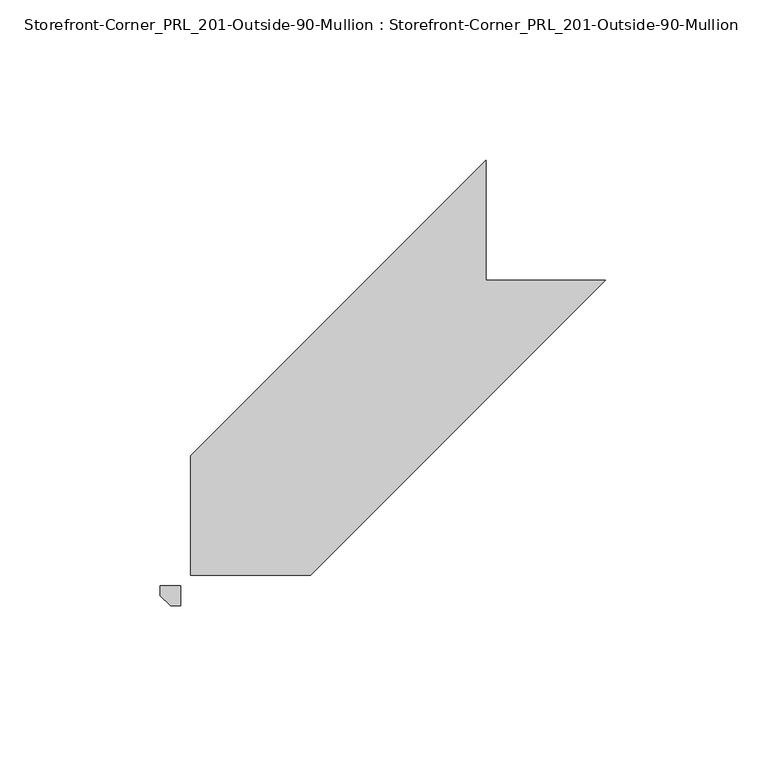
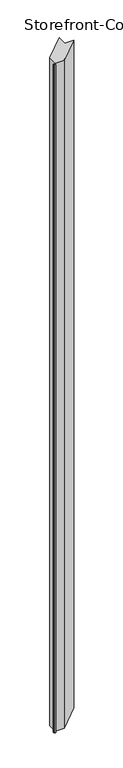
"""IFC4 building model written with IfcOpenShell, lengths in millimetres: proxy geometry, Storefront-Corner_PRL_201-Outside-90-Mullion : Storefront-Corner_PRL_201-Outside-90-Mullion."""

from ifc_helpers import new_model, si_unit, origin, origin_with_axes, place, context, project, spatial, polyline, outline, extrude, source, transform, mapped, element, save


def storefront_corner_prl_201_outside_90_mullion_storefront_a8234420(model_context):
    return source(origin(), model_context, "Body", "SweptSolid", [
        extrude(outline(polyline([(0.0, -3.175), (-3.175, 0.0), (-3.175, 3.175), (3.175, 3.175), (3.175, -3.175), (0.0, -3.175)])), origin_with_axes(), (0.0, 0.0, 1.0), 2933.7),
        extrude(outline(polyline([(6.35, 43.65625), (98.425, 135.73125), (98.425, 98.425), (135.73125, 98.425), (43.65625, 6.35), (6.35, 6.35), (6.35, 43.65625)])), origin_with_axes(), (0.0, 0.0, 1.0), 2933.7),
    ])


if __name__ == "__main__":
    model = new_model("IFC4")
    model_context = context("Model", 3, world=origin())
    ifc_project = project(units=[si_unit("LENGTHUNIT", "METRE", prefix="MILLI")], contexts=[model_context])
    site = spatial("IfcSite", under=ifc_project)
    building = spatial("IfcBuilding", under=site)
    placement = place(None, origin())
    storefront_corner_prl_201_outside_90_mullion_storefront_shape = storefront_corner_prl_201_outside_90_mullion_storefront_a8234420(model_context)
    element("IfcBuildingElementProxy", 1, Name="Storefront-Corner_PRL_201-Outside-90-Mullion : Storefront-Corner_PRL_201-Outside-90-Mullion", ObjectType="Storefront-Corner_PRL_201-Outside-90-Mullion : Storefront-Corner_PRL_201-Outside-90-Mullion", at=placement, inside=building, context=model_context, shape_type="MappedRepresentation", body=[
        mapped(storefront_corner_prl_201_outside_90_mullion_storefront_shape, transform((0.0, 0.0, 0.0), x_axis=(1.0, 0.0, 0.0), y_axis=(0.0, 1.0, 0.0), z_axis=(0.0, 0.0, 1.0))),
    ])
    save(model, "model.ifc")
